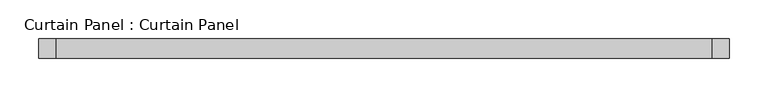
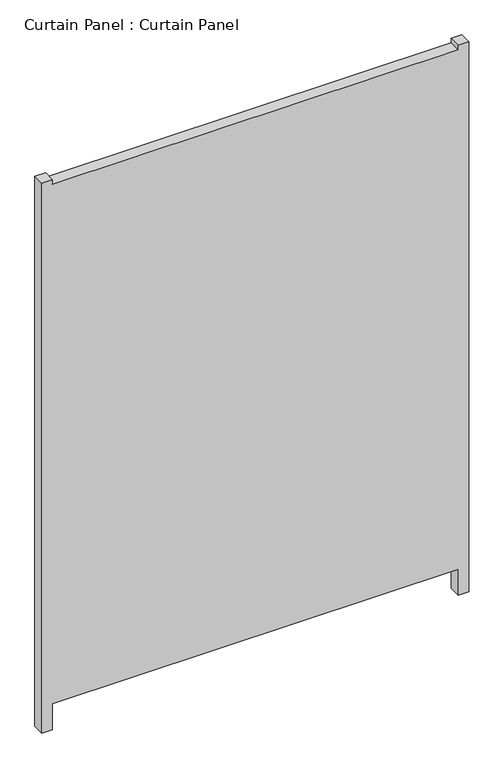
"""IFC4 building model written with IfcOpenShell, lengths in millimetres: plate geometry, Curtain Panel : Curtain Panel."""

import ifcopenshell
import ifcopenshell.guid

model = None  # the IFC model being written
_history = None  # IfcOwnerHistory: only IFC2X3 demands one
_inside = {}  # id of a spatial element -> (the spatial element, [elements in it])
_under = {}  # id of a project, library or spatial element -> (it, [spatial elements below it])
_declared = {}  # id of a project -> (the project, [libraries it declares])
_typed = {}  # id of a type object -> (the type object, [elements of that type])
_made_of = {}  # id of a material, layer set ... -> (it, [elements and type objects made of it])


def new_model(schema):
    """Start an empty IFC model of exactly this schema.

    Asked for "IFC4X3", IfcOpenShell would pick the latest addendum, in which some entities
    have other attributes; the version numbers below select the first issue.
    IFC2X3 requires an IfcOwnerHistory on every rooted entity: one is made here for all.
    """
    global model, _history
    if schema == "IFC4X3":
        model = ifcopenshell.file(schema_version=(4, 3, 0, 0))
    else:
        model = ifcopenshell.file(schema=schema)
    _inside.clear()
    _under.clear()
    _declared.clear()
    _typed.clear()
    _made_of.clear()
    _history = None
    if model.schema == "IFC2X3":
        org = make("IfcOrganization", Name="unknown")
        user = make(
            "IfcPersonAndOrganization",
            ThePerson=make("IfcPerson", FamilyName="unknown"),
            TheOrganization=org,
        )
        app = make(
            "IfcApplication",
            ApplicationDeveloper=org,
            Version="unknown",
            ApplicationFullName="unknown",
            ApplicationIdentifier="unknown",
        )
        _history = make(
            "IfcOwnerHistory",
            OwningUser=user,
            OwningApplication=app,
            ChangeAction="ADDED",
            CreationDate=0,
        )
    return model


def make(cls, **values):
    """One entity of the class cls with the attributes given. An attribute that is None is left unset."""
    return model.create_entity(
        cls, **{name: value for name, value in values.items() if value is not None}
    )


def rooted(cls, **values):
    """An entity with a GlobalId (a new one), such as an element, a storey or a relation."""
    return make(cls, GlobalId=ifcopenshell.guid.new(), OwnerHistory=_history, **values)


def si_unit(unit_type, name, prefix=None):
    """IfcSIUnit, for example si_unit("LENGTHUNIT", "METRE", prefix="MILLI")."""
    return make("IfcSIUnit", UnitType=unit_type, Prefix=prefix, Name=name)


def assignment(units):
    """IfcUnitAssignment: the units of a project."""
    return None if units is None else make("IfcUnitAssignment", Units=units)


def point(xyz):
    """IfcCartesianPoint."""
    return None if xyz is None else make("IfcCartesianPoint", Coordinates=xyz)


def direction(xyz):
    """IfcDirection."""
    return None if xyz is None else make("IfcDirection", DirectionRatios=xyz)


def frame(location, z_axis=None, x_axis=None):
    """IfcAxis2Placement3D, a coordinate frame: its origin and axes. An axis left out is left unset."""
    return make(
        "IfcAxis2Placement3D",
        Location=point(location),
        Axis=direction(z_axis),
        RefDirection=direction(x_axis),
    )


def origin():
    """The frame at (0, 0, 0) with its axes left unset."""
    return frame((0.0, 0.0, 0.0))


def place(relative_to, where):
    """IfcLocalPlacement: puts the frame where relative to a parent placement (None: the world)."""
    return make(
        "IfcLocalPlacement", PlacementRelTo=relative_to, RelativePlacement=where
    )


def context(
    kind, dimensions, precision=None, world=None, true_north=None, identifier=None
):
    """IfcGeometricRepresentationContext, for example the 3D "Model" context."""
    return make(
        "IfcGeometricRepresentationContext",
        ContextIdentifier=identifier,
        ContextType=kind,
        CoordinateSpaceDimension=dimensions,
        Precision=precision,
        WorldCoordinateSystem=world,
        TrueNorth=true_north,
    )


def project(units=None, contexts=None):
    """IfcProject with its units and contexts."""
    return rooted(
        "IfcProject",
        Name="project",
        RepresentationContexts=contexts,
        UnitsInContext=assignment(units),
    )


def spatial(cls, under=None, at=None, **own):
    """A site, building, storey or space (cls), placed at a placement, below another one or the project."""
    s = rooted(cls, ObjectPlacement=at, **own)
    if under is not None:
        _under.setdefault(under.id(), (under, []))[1].append(s)
    return s


def polyline(points):
    """IfcPolyline through the points."""
    return make("IfcPolyline", Points=[point(p) for p in points])


def outline(outer, holes=None, kind="AREA"):
    """IfcArbitraryClosedProfileDef: a profile drawn as a closed curve; with holes, ...WithVoids."""
    if holes is None:
        return make("IfcArbitraryClosedProfileDef", ProfileType=kind, OuterCurve=outer)
    return make(
        "IfcArbitraryProfileDefWithVoids",
        ProfileType=kind,
        OuterCurve=outer,
        InnerCurves=holes,
    )


def extrude(swept, where, along, depth):
    """IfcExtrudedAreaSolid: the profile swept, set in the frame where, extruded along a direction by depth."""
    return make(
        "IfcExtrudedAreaSolid",
        SweptArea=swept,
        Position=where,
        ExtrudedDirection=direction(along),
        Depth=depth,
    )


def shape(context_of_items, identifier, shape_type, items):
    """IfcShapeRepresentation: the items that make up one representation, for example the "Body"."""
    return make(
        "IfcShapeRepresentation",
        ContextOfItems=context_of_items,
        RepresentationIdentifier=identifier,
        RepresentationType=shape_type,
        Items=items,
    )


def source(mapping_origin, context_of_items, identifier, shape_type, items):
    """IfcRepresentationMap: a shape defined once, which mapped items show again and again."""
    return make(
        "IfcRepresentationMap",
        MappingOrigin=mapping_origin,
        MappedRepresentation=shape(context_of_items, identifier, shape_type, items),
    )


def transform(
    local_origin,
    x_axis=None,
    y_axis=None,
    z_axis=None,
    scale=None,
    scale2=None,
    scale3=None,
    uniform=True,
):
    """IfcCartesianTransformationOperator3D, or its non-uniform kind. x_axis, y_axis, z_axis: its Axis1, 2, 3."""
    if uniform:
        return make(
            "IfcCartesianTransformationOperator3D",
            Axis1=direction(x_axis),
            Axis2=direction(y_axis),
            LocalOrigin=point(local_origin),
            Scale=scale,
            Axis3=direction(z_axis),
        )
    return make(
        "IfcCartesianTransformationOperator3DnonUniform",
        Axis1=direction(x_axis),
        Axis2=direction(y_axis),
        LocalOrigin=point(local_origin),
        Scale=scale,
        Axis3=direction(z_axis),
        Scale2=scale2,
        Scale3=scale3,
    )


def mapped(mapping_source, mapping_target):
    """IfcMappedItem: shows the shape of a source again, moved by a transform."""
    return make(
        "IfcMappedItem", MappingSource=mapping_source, MappingTarget=mapping_target
    )


def made_of(thing, what):
    """Note that an element or type object is made of a material, layer set ...; save() writes the relation."""
    if what is not None:
        _made_of.setdefault(what.id(), (what, []))[1].append(thing)
    return thing


def element(
    cls,
    number,
    at=None,
    inside=None,
    cuts=None,
    type_object=None,
    material=None,
    context=None,
    identifier="Body",
    shape_type=None,
    held_by="IfcProductDefinitionShape",
    body=None,
    shapes=None,
    **own,
):
    """One element of the class cls, such as IfcWall. Its Tag is "e" and its number.

    at: its placement. inside: the storey or other place that contains it. cuts: it is an
    opening in that element (IfcRelVoidsElement). A single representation is given by context,
    identifier, shape_type and body (its items); several are given by shapes. held_by: the class
    of the entity that holds the representations. save() writes the other relations.
    """
    e = rooted(cls, Tag="e%d" % number, ObjectPlacement=at, **own)
    if body is not None:
        shapes = [shape(context, identifier, shape_type, body)]
    if shapes is not None:
        e.Representation = make(held_by, Representations=shapes)
    if inside is not None:
        _inside.setdefault(inside.id(), (inside, []))[1].append(e)
    if cuts is not None:
        rooted(
            "IfcRelVoidsElement", RelatingBuildingElement=cuts, RelatedOpeningElement=e
        )
    if type_object is not None:
        _typed.setdefault(type_object.id(), (type_object, []))[1].append(e)
    return made_of(e, material)


def aggregate(whole, parts):
    """IfcRelAggregates: a whole, such as a stair, and the parts it consists of."""
    return rooted("IfcRelAggregates", RelatingObject=whole, RelatedObjects=parts)


def save(model, path):
    """Write the relations noted so far, then the file.

    IfcRelAggregates (storeys below a building ...), IfcRelContainedInSpatialStructure (elements
    in a storey), IfcRelDefinesByType, IfcRelAssociatesMaterial and IfcRelDeclares: one each for
    every whole, place, type object, material and project.
    """
    for whole, parts in _under.values():
        aggregate(whole, parts)
    for where, things in _inside.values():
        rooted(
            "IfcRelContainedInSpatialStructure",
            RelatedElements=things,
            RelatingStructure=where,
        )
    for kind, things in _typed.values():
        rooted("IfcRelDefinesByType", RelatedObjects=things, RelatingType=kind)
    for what, things in _made_of.values():
        rooted("IfcRelAssociatesMaterial", RelatedObjects=things, RelatingMaterial=what)
    for by, libraries in _declared.values():
        rooted("IfcRelDeclares", RelatingContext=by, RelatedDefinitions=libraries)
    model.write(path)


def curtain_panel_curtain_panel_59a6270d(model_context):
    return source(origin(), model_context, "Body", "SweptSolid", [
        extrude(outline(polyline([(-680.0975461, -39845.7944373), (-622.8354492, -39845.7944373), (-622.8354492, -38994.8944373), (-680.0975461, -38994.8944373), (-680.0975461, -38972.6695566), (539.1024539, -38972.6695566), (539.1024539, -38994.8944373), (529.5774539, -38994.8944373), (529.5774539, -39845.7944373), (539.1024539, -39845.7944373), (539.1024539, -39868.0193302), (-680.0975461, -39868.0193302), (-680.0975461, -39845.7944373)])), frame((0.0, -1996.9602036, 0.0), z_axis=(0.0, 1.0, 0.0), x_axis=(0.0, 0.0, 1.0)), (0.0, 0.0, 1.0), 25.4),
    ])


if __name__ == "__main__":
    model = new_model("IFC4")
    model_context = context("Model", 3, world=origin())
    ifc_project = project(units=[si_unit("LENGTHUNIT", "METRE", prefix="MILLI")], contexts=[model_context])
    site = spatial("IfcSite", under=ifc_project)
    building = spatial("IfcBuilding", under=site)
    placement = place(None, origin())
    curtain_panel_curtain_panel_shape = curtain_panel_curtain_panel_59a6270d(model_context)
    element("IfcPlate", 1, ObjectType="Curtain Panel : Curtain Panel", at=placement, inside=building, context=model_context, shape_type="MappedRepresentation", body=[
        mapped(curtain_panel_curtain_panel_shape, transform((0.0, 0.0, 0.0), x_axis=(1.0, 0.0, 0.0), y_axis=(0.0, 1.0, 0.0), z_axis=(0.0, 0.0, 1.0))),
    ])
    save(model, "model.ifc")
